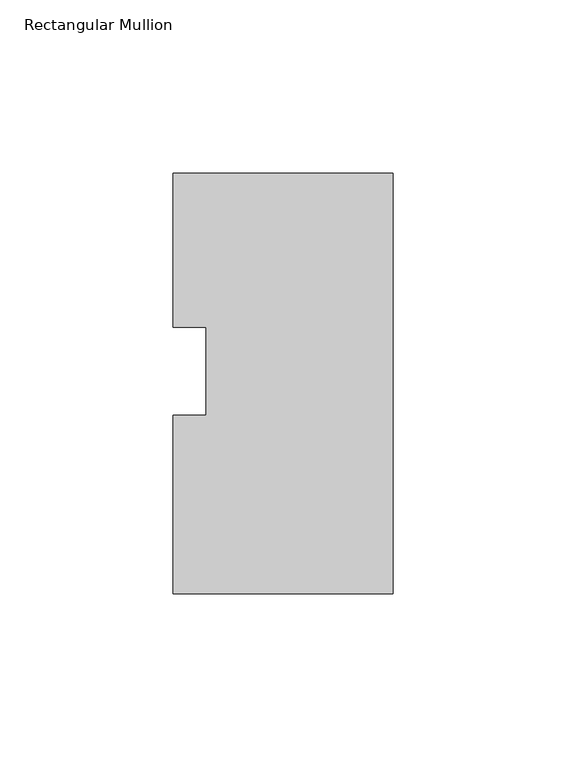
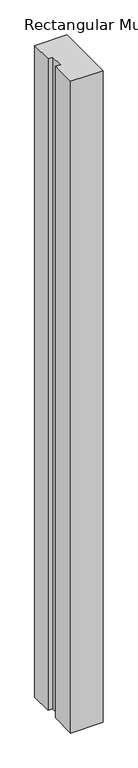
"""IFC4 building model written with IfcOpenShell, lengths in millimetres: member geometry, Rectangular Mullion."""

from ifc_helpers import new_model, si_unit, frame, origin, place, context, project, spatial, polyline, outline, extrude, source, transform, mapped, element, save


def rectangular_mullion_7d6f7004(model_context):
    return source(origin(), model_context, "Body", "SweptSolid", [
        extrude(outline(polyline([(-63.49365, 12.6860737), (-63.49365, 57.1097915), (0.0, 57.1097915), (0.0, -64.3276085), (-63.5010153, -64.3276085), (-63.5010153, -12.8016247), (-53.9760153, -12.8016247), (-53.9760153, 12.6860737), (-63.49365, 12.6860737)])), frame((0.0, 0.0, -1343.025), z_axis=(0.0, 0.0, 1.0), x_axis=(1.0, 0.0, 0.0)), (0.0, 0.0, 1.0), 1343.025),
    ])


if __name__ == "__main__":
    model = new_model("IFC4")
    model_context = context("Model", 3, world=origin())
    ifc_project = project(units=[si_unit("LENGTHUNIT", "METRE", prefix="MILLI")], contexts=[model_context])
    site = spatial("IfcSite", under=ifc_project)
    building = spatial("IfcBuilding", under=site)
    placement = place(None, origin())
    rectangular_mullion_shape = rectangular_mullion_7d6f7004(model_context)
    element("IfcMember", 1, ObjectType="Rectangular Mullion", at=placement, inside=building, context=model_context, shape_type="MappedRepresentation", body=[
        mapped(rectangular_mullion_shape, transform((0.0, 0.0, 0.0), x_axis=(1.0, 0.0, 0.0), y_axis=(0.0, 1.0, 0.0), z_axis=(0.0, 0.0, 1.0))),
    ])
    save(model, "model.ifc")
